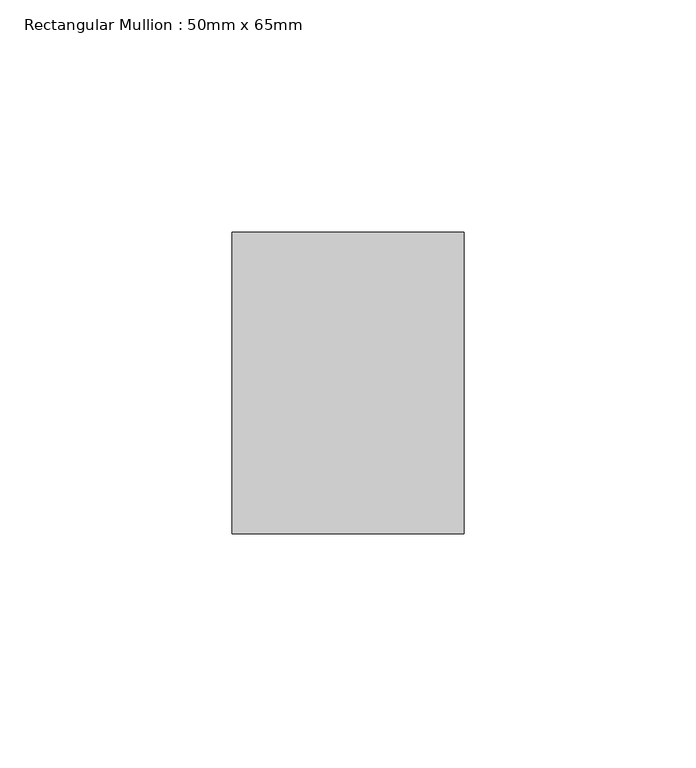
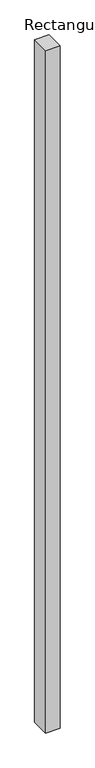
"""IFC4 building model written with IfcOpenShell, lengths in millimetres: member geometry, Rectangular Mullion : 50mm x 65mm."""

import ifcopenshell
import ifcopenshell.guid

model = None  # the IFC model being written
_history = None  # IfcOwnerHistory: only IFC2X3 demands one
_inside = {}  # id of a spatial element -> (the spatial element, [elements in it])
_under = {}  # id of a project, library or spatial element -> (it, [spatial elements below it])
_declared = {}  # id of a project -> (the project, [libraries it declares])
_typed = {}  # id of a type object -> (the type object, [elements of that type])
_made_of = {}  # id of a material, layer set ... -> (it, [elements and type objects made of it])


def new_model(schema):
    """Start an empty IFC model of exactly this schema.

    Asked for "IFC4X3", IfcOpenShell would pick the latest addendum, in which some entities
    have other attributes; the version numbers below select the first issue.
    IFC2X3 requires an IfcOwnerHistory on every rooted entity: one is made here for all.
    """
    global model, _history
    if schema == "IFC4X3":
        model = ifcopenshell.file(schema_version=(4, 3, 0, 0))
    else:
        model = ifcopenshell.file(schema=schema)
    _inside.clear()
    _under.clear()
    _declared.clear()
    _typed.clear()
    _made_of.clear()
    _history = None
    if model.schema == "IFC2X3":
        org = make("IfcOrganization", Name="unknown")
        user = make(
            "IfcPersonAndOrganization",
            ThePerson=make("IfcPerson", FamilyName="unknown"),
            TheOrganization=org,
        )
        app = make(
            "IfcApplication",
            ApplicationDeveloper=org,
            Version="unknown",
            ApplicationFullName="unknown",
            ApplicationIdentifier="unknown",
        )
        _history = make(
            "IfcOwnerHistory",
            OwningUser=user,
            OwningApplication=app,
            ChangeAction="ADDED",
            CreationDate=0,
        )
    return model


def make(cls, **values):
    """One entity of the class cls with the attributes given. An attribute that is None is left unset."""
    return model.create_entity(
        cls, **{name: value for name, value in values.items() if value is not None}
    )


def rooted(cls, **values):
    """An entity with a GlobalId (a new one), such as an element, a storey or a relation."""
    return make(cls, GlobalId=ifcopenshell.guid.new(), OwnerHistory=_history, **values)


def si_unit(unit_type, name, prefix=None):
    """IfcSIUnit, for example si_unit("LENGTHUNIT", "METRE", prefix="MILLI")."""
    return make("IfcSIUnit", UnitType=unit_type, Prefix=prefix, Name=name)


def assignment(units):
    """IfcUnitAssignment: the units of a project."""
    return None if units is None else make("IfcUnitAssignment", Units=units)


def point(xyz):
    """IfcCartesianPoint."""
    return None if xyz is None else make("IfcCartesianPoint", Coordinates=xyz)


def direction(xyz):
    """IfcDirection."""
    return None if xyz is None else make("IfcDirection", DirectionRatios=xyz)


def frame(location, z_axis=None, x_axis=None):
    """IfcAxis2Placement3D, a coordinate frame: its origin and axes. An axis left out is left unset."""
    return make(
        "IfcAxis2Placement3D",
        Location=point(location),
        Axis=direction(z_axis),
        RefDirection=direction(x_axis),
    )


def origin():
    """The frame at (0, 0, 0) with its axes left unset."""
    return frame((0.0, 0.0, 0.0))


def place(relative_to, where):
    """IfcLocalPlacement: puts the frame where relative to a parent placement (None: the world)."""
    return make(
        "IfcLocalPlacement", PlacementRelTo=relative_to, RelativePlacement=where
    )


def context(
    kind, dimensions, precision=None, world=None, true_north=None, identifier=None
):
    """IfcGeometricRepresentationContext, for example the 3D "Model" context."""
    return make(
        "IfcGeometricRepresentationContext",
        ContextIdentifier=identifier,
        ContextType=kind,
        CoordinateSpaceDimension=dimensions,
        Precision=precision,
        WorldCoordinateSystem=world,
        TrueNorth=true_north,
    )


def project(units=None, contexts=None):
    """IfcProject with its units and contexts."""
    return rooted(
        "IfcProject",
        Name="project",
        RepresentationContexts=contexts,
        UnitsInContext=assignment(units),
    )


def spatial(cls, under=None, at=None, **own):
    """A site, building, storey or space (cls), placed at a placement, below another one or the project."""
    s = rooted(cls, ObjectPlacement=at, **own)
    if under is not None:
        _under.setdefault(under.id(), (under, []))[1].append(s)
    return s


def polyline(points):
    """IfcPolyline through the points."""
    return make("IfcPolyline", Points=[point(p) for p in points])


def outline(outer, holes=None, kind="AREA"):
    """IfcArbitraryClosedProfileDef: a profile drawn as a closed curve; with holes, ...WithVoids."""
    if holes is None:
        return make("IfcArbitraryClosedProfileDef", ProfileType=kind, OuterCurve=outer)
    return make(
        "IfcArbitraryProfileDefWithVoids",
        ProfileType=kind,
        OuterCurve=outer,
        InnerCurves=holes,
    )


def extrude(swept, where, along, depth):
    """IfcExtrudedAreaSolid: the profile swept, set in the frame where, extruded along a direction by depth."""
    return make(
        "IfcExtrudedAreaSolid",
        SweptArea=swept,
        Position=where,
        ExtrudedDirection=direction(along),
        Depth=depth,
    )


def shape(context_of_items, identifier, shape_type, items):
    """IfcShapeRepresentation: the items that make up one representation, for example the "Body"."""
    return make(
        "IfcShapeRepresentation",
        ContextOfItems=context_of_items,
        RepresentationIdentifier=identifier,
        RepresentationType=shape_type,
        Items=items,
    )


def source(mapping_origin, context_of_items, identifier, shape_type, items):
    """IfcRepresentationMap: a shape defined once, which mapped items show again and again."""
    return make(
        "IfcRepresentationMap",
        MappingOrigin=mapping_origin,
        MappedRepresentation=shape(context_of_items, identifier, shape_type, items),
    )


def transform(
    local_origin,
    x_axis=None,
    y_axis=None,
    z_axis=None,
    scale=None,
    scale2=None,
    scale3=None,
    uniform=True,
):
    """IfcCartesianTransformationOperator3D, or its non-uniform kind. x_axis, y_axis, z_axis: its Axis1, 2, 3."""
    if uniform:
        return make(
            "IfcCartesianTransformationOperator3D",
            Axis1=direction(x_axis),
            Axis2=direction(y_axis),
            LocalOrigin=point(local_origin),
            Scale=scale,
            Axis3=direction(z_axis),
        )
    return make(
        "IfcCartesianTransformationOperator3DnonUniform",
        Axis1=direction(x_axis),
        Axis2=direction(y_axis),
        LocalOrigin=point(local_origin),
        Scale=scale,
        Axis3=direction(z_axis),
        Scale2=scale2,
        Scale3=scale3,
    )


def mapped(mapping_source, mapping_target):
    """IfcMappedItem: shows the shape of a source again, moved by a transform."""
    return make(
        "IfcMappedItem", MappingSource=mapping_source, MappingTarget=mapping_target
    )


def made_of(thing, what):
    """Note that an element or type object is made of a material, layer set ...; save() writes the relation."""
    if what is not None:
        _made_of.setdefault(what.id(), (what, []))[1].append(thing)
    return thing


def element(
    cls,
    number,
    at=None,
    inside=None,
    cuts=None,
    type_object=None,
    material=None,
    context=None,
    identifier="Body",
    shape_type=None,
    held_by="IfcProductDefinitionShape",
    body=None,
    shapes=None,
    **own,
):
    """One element of the class cls, such as IfcWall. Its Tag is "e" and its number.

    at: its placement. inside: the storey or other place that contains it. cuts: it is an
    opening in that element (IfcRelVoidsElement). A single representation is given by context,
    identifier, shape_type and body (its items); several are given by shapes. held_by: the class
    of the entity that holds the representations. save() writes the other relations.
    """
    e = rooted(cls, Tag="e%d" % number, ObjectPlacement=at, **own)
    if body is not None:
        shapes = [shape(context, identifier, shape_type, body)]
    if shapes is not None:
        e.Representation = make(held_by, Representations=shapes)
    if inside is not None:
        _inside.setdefault(inside.id(), (inside, []))[1].append(e)
    if cuts is not None:
        rooted(
            "IfcRelVoidsElement", RelatingBuildingElement=cuts, RelatedOpeningElement=e
        )
    if type_object is not None:
        _typed.setdefault(type_object.id(), (type_object, []))[1].append(e)
    return made_of(e, material)


def aggregate(whole, parts):
    """IfcRelAggregates: a whole, such as a stair, and the parts it consists of."""
    return rooted("IfcRelAggregates", RelatingObject=whole, RelatedObjects=parts)


def save(model, path):
    """Write the relations noted so far, then the file.

    IfcRelAggregates (storeys below a building ...), IfcRelContainedInSpatialStructure (elements
    in a storey), IfcRelDefinesByType, IfcRelAssociatesMaterial and IfcRelDeclares: one each for
    every whole, place, type object, material and project.
    """
    for whole, parts in _under.values():
        aggregate(whole, parts)
    for where, things in _inside.values():
        rooted(
            "IfcRelContainedInSpatialStructure",
            RelatedElements=things,
            RelatingStructure=where,
        )
    for kind, things in _typed.values():
        rooted("IfcRelDefinesByType", RelatedObjects=things, RelatingType=kind)
    for what, things in _made_of.values():
        rooted("IfcRelAssociatesMaterial", RelatedObjects=things, RelatingMaterial=what)
    for by, libraries in _declared.values():
        rooted("IfcRelDeclares", RelatingContext=by, RelatedDefinitions=libraries)
    model.write(path)


def rectangular_mullion_50mm_x_65mm_ab40673a(model_context):
    return source(origin(), model_context, "Body", "SweptSolid", [
        extrude(outline(polyline([(25.0, 32.5), (25.0, -32.5), (-25.0, -32.5), (-25.0, 32.5), (25.0, 32.5)])), frame((0.0, 0.0, -2478.0262123), z_axis=(0.0, 0.0, 1.0), x_axis=(1.0, 0.0, 0.0)), (0.0, 0.0, 1.0), 2478.0262123),
    ])


if __name__ == "__main__":
    model = new_model("IFC4")
    model_context = context("Model", 3, world=origin())
    ifc_project = project(units=[si_unit("LENGTHUNIT", "METRE", prefix="MILLI")], contexts=[model_context])
    site = spatial("IfcSite", under=ifc_project)
    building = spatial("IfcBuilding", under=site)
    placement = place(None, origin())
    rectangular_mullion_50mm_x_65mm_shape = rectangular_mullion_50mm_x_65mm_ab40673a(model_context)
    element("IfcMember", 1, ObjectType="Rectangular Mullion : 50mm x 65mm", at=placement, inside=building, context=model_context, shape_type="MappedRepresentation", body=[
        mapped(rectangular_mullion_50mm_x_65mm_shape, transform((0.0, 0.0, 0.0), x_axis=(1.0, 0.0, 0.0), y_axis=(0.0, 1.0, 0.0), z_axis=(0.0, 0.0, 1.0))),
    ])
    save(model, "model.ifc")
